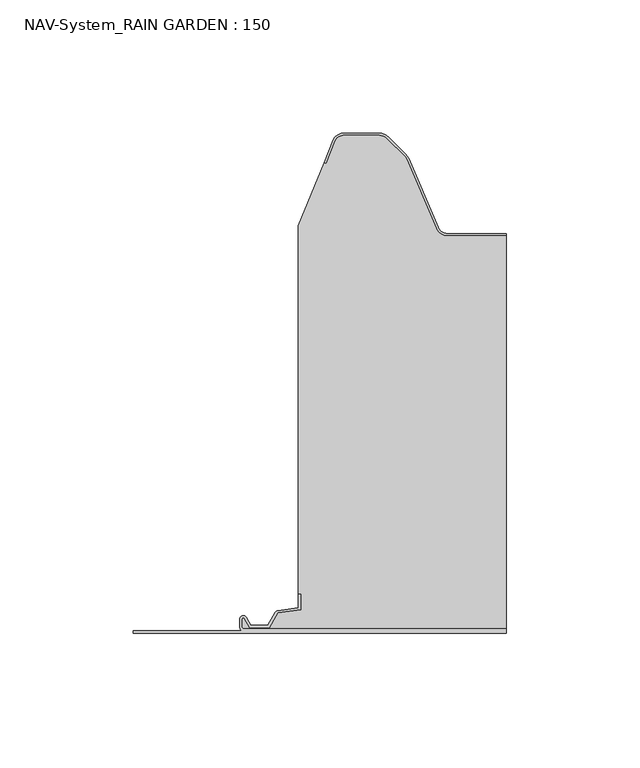
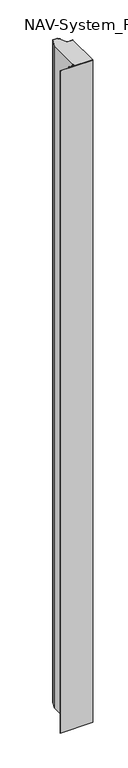
"""IFC4 building model written with IfcOpenShell, lengths in millimetres: plate geometry, NAV-System_RAIN GARDEN : 150."""

from ifc_helpers import new_model, si_unit, point, frame, frame_2d, origin, origin_with_axes, place, context, project, spatial, polyline, circle_curve, trimmed, segment, composite_curve, outline, extrude, source, transform, mapped, element, save


def nav_system_rain_garden_150_11fc7fe9(model_context):
    return source(origin(), model_context, "Body", "SweptSolid", [
        extrude(outline(composite_curve([segment(polyline([(0.0, -90.0), (0.0, 50.0), (1.8, 50.0), (1.8, -48.7)]), True, "CONTINUOUS"), segment(trimmed(circle_curve(frame_2d((2.3, -48.7)), 0.5), [point((1.8, -48.7))], [point((2.3, -49.2))], True, "CARTESIAN"), True, "CONTINUOUS"), segment(polyline([(2.3, -49.2), (5.3700191, -49.2)]), True, "CONTINUOUS"), segment(trimmed(circle_curve(frame_2d((5.3700191, -48.7)), 0.5), [point((5.3700191, -49.2))], [point((5.6200191, -48.2669873))], True, "CARTESIAN"), True, "CONTINUOUS"), segment(polyline([(5.6200191, -48.2669873), (2.2, -46.2924383), (2.2, -38.9841833), (7.6866602, -35.8164586), (8.898332, -27.2), (14.6767555, -27.2), (14.6767555, -28.0), (9.5937048, -28.0), (8.5128213, -35.6863953)]), True, "CONTINUOUS"), segment(trimmed(circle_curve(frame_2d((7.2254873, -35.5053666)), 1.3), [point((8.5128213, -35.6863953))], [point((7.8754873, -36.6311996))], False, "CARTESIAN"), True, "CONTINUOUS"), segment(polyline([(7.8754873, -36.6311996), (3.0, -39.4460636), (3.0, -45.8305581), (6.0200191, -47.574167)]), True, "CONTINUOUS"), segment(trimmed(circle_curve(frame_2d((5.3700191, -48.7)), 1.3), [point((6.0200191, -47.574167))], [point((5.3700191, -50.0))], False, "CARTESIAN"), True, "CONTINUOUS"), segment(polyline([(5.3700191, -50.0), (2.3, -50.0)]), True, "CONTINUOUS"), segment(trimmed(circle_curve(frame_2d((2.3, -48.7)), 1.3), [point((2.3, -50.0))], [point((1.0, -48.7))], False, "CARTESIAN"), True, "CONTINUOUS"), segment(polyline([(1.0, -48.7), (1.0, -90.0), (0.0, -90.0)]), True, "CONTINUOUS")], self_intersect=False)), frame((0.0, 0.0, 3000.0), z_axis=(0.0, 0.0, -1.0), x_axis=(0.0, 1.0, 0.0)), (0.0, 0.0, 1.0), 3000.0),
        extrude(outline(composite_curve([segment(polyline([(28.0709249, 149.2), (50.0, 149.2), (50.0, 1.8), (-48.7, 1.8)]), True, "CONTINUOUS"), segment(trimmed(circle_curve(frame_2d((-48.7, 2.3)), 0.5), [point((-48.7, 1.8))], [point((-49.2, 2.3))], False, "CARTESIAN"), True, "CONTINUOUS"), segment(polyline([(-49.2, 2.3), (-49.2, 5.3700191)]), True, "CONTINUOUS"), segment(trimmed(circle_curve(frame_2d((-48.7, 5.3700191)), 0.5), [point((-49.2, 5.3700191))], [point((-48.2669873, 5.6200191))], False, "CARTESIAN"), True, "CONTINUOUS"), segment(polyline([(-48.2669873, 5.6200191), (-46.2924383, 2.2), (-38.9841833, 2.2), (-35.8164586, 7.6866602), (-27.2, 8.898332), (-27.2, 14.6767555), (-28.0, 14.6767555), (-28.0, 153.053822), (-18.3696578, 176.593514), (-17.6292254, 176.2905951), (-14.1022482, 184.9116756)]), True, "CONTINUOUS"), segment(trimmed(circle_curve(frame_2d((-11.1405186, 183.7)), 3.2), [point((-14.1022482, 184.9116756))], [point((-11.1405186, 186.9))], False, "CARTESIAN"), True, "CONTINUOUS"), segment(polyline([(-11.1405186, 186.9), (2.2655335, 186.9)]), True, "CONTINUOUS"), segment(trimmed(circle_curve(frame_2d((2.2655335, 182.7)), 4.2), [point((2.2655335, 186.9))], [point((5.235382, 185.6698485))], False, "CARTESIAN"), True, "CONTINUOUS"), segment(polyline([(5.235382, 185.6698485), (11.6863603, 179.2188701)]), True, "CONTINUOUS"), segment(trimmed(circle_curve(frame_2d((8.7165118, 176.2490217)), 4.2), [point((11.6863603, 179.2188701))], [point((12.5754349, 177.9069459))], False, "CARTESIAN"), True, "CONTINUOUS"), segment(polyline([(12.5754349, 177.9069459), (23.6607271, 152.1052295)]), True, "CONTINUOUS"), segment(trimmed(circle_curve(frame_2d((28.0709249, 154.0)), 4.8), [point((23.6607271, 152.1052295))], [point((28.0709249, 149.2))], True, "CARTESIAN"), True, "CONTINUOUS")], self_intersect=False)), origin_with_axes(), (0.0, 0.0, 1.0), 3000.0),
        extrude(outline(composite_curve([segment(trimmed(circle_curve(frame_2d((-11.1408608, 183.7)), 4.0), [point((-14.8430228, 185.2145945))], [point((-11.1408608, 187.7))], False, "CARTESIAN"), True, "CONTINUOUS"), segment(polyline([(-11.1408608, 187.7), (2.2651913, 187.7)]), True, "CONTINUOUS"), segment(trimmed(circle_curve(frame_2d((2.2651913, 182.7)), 5.0), [point((2.2651913, 187.7))], [point((5.8007252, 186.2355339))], False, "CARTESIAN"), True, "CONTINUOUS"), segment(polyline([(5.8007252, 186.2355339), (12.2517035, 179.7845556)]), True, "CONTINUOUS"), segment(trimmed(circle_curve(frame_2d((8.7161696, 176.2490217)), 5.0), [point((12.2517035, 179.7845556))], [point((13.3101256, 178.2227409))], False, "CARTESIAN"), True, "CONTINUOUS"), segment(polyline([(13.3101256, 178.2227409), (24.3954178, 152.4210246)]), True, "CONTINUOUS"), segment(trimmed(circle_curve(frame_2d((28.0705827, 154.0)), 4.0), [point((24.3954178, 152.4210246))], [point((28.0705827, 150.0))], True, "CARTESIAN"), True, "CONTINUOUS"), segment(polyline([(28.0705827, 150.0), (50.0, 150.0), (50.0, 149.2), (28.0705827, 149.2)]), True, "CONTINUOUS"), segment(trimmed(circle_curve(frame_2d((28.0705827, 154.0)), 4.8), [point((28.0705827, 149.2))], [point((23.6603849, 152.1052295))], False, "CARTESIAN"), True, "CONTINUOUS"), segment(polyline([(23.6603849, 152.1052295), (12.5750927, 177.9069459)]), True, "CONTINUOUS"), segment(trimmed(circle_curve(frame_2d((8.7161696, 176.2490217)), 4.2), [point((12.5750927, 177.9069459))], [point((11.6860181, 179.2188701))], True, "CARTESIAN"), True, "CONTINUOUS"), segment(polyline([(11.6860181, 179.2188701), (5.2350397, 185.6698485)]), True, "CONTINUOUS"), segment(trimmed(circle_curve(frame_2d((2.2651913, 182.7)), 4.2), [point((5.2350397, 185.6698485))], [point((2.2651913, 186.9))], True, "CARTESIAN"), True, "CONTINUOUS"), segment(polyline([(2.2651913, 186.9), (-11.1408608, 186.9)]), True, "CONTINUOUS"), segment(trimmed(circle_curve(frame_2d((-11.1408608, 183.7)), 3.2), [point((-11.1408608, 186.9))], [point((-14.1025904, 184.9116756))], True, "CARTESIAN"), True, "CONTINUOUS"), segment(polyline([(-14.1025904, 184.9116756), (-17.6295676, 176.2905951), (-18.37, 176.593514), (-14.8430228, 185.2145945)]), True, "CONTINUOUS")], self_intersect=False)), origin_with_axes(), (0.0, 0.0, 1.0), 3000.0),
    ])


if __name__ == "__main__":
    model = new_model("IFC4")
    model_context = context("Model", 3, world=origin())
    ifc_project = project(units=[si_unit("LENGTHUNIT", "METRE", prefix="MILLI")], contexts=[model_context])
    site = spatial("IfcSite", under=ifc_project)
    building = spatial("IfcBuilding", under=site)
    placement = place(None, origin())
    nav_system_rain_garden_150_shape = nav_system_rain_garden_150_11fc7fe9(model_context)
    element("IfcPlate", 1, ObjectType="NAV-System_RAIN GARDEN : 150", at=placement, inside=building, context=model_context, shape_type="MappedRepresentation", body=[
        mapped(nav_system_rain_garden_150_shape, transform((0.0, 0.0, 0.0), x_axis=(1.0, 0.0, 0.0), y_axis=(0.0, 1.0, 0.0), z_axis=(0.0, 0.0, 1.0))),
    ])
    save(model, "model.ifc")
